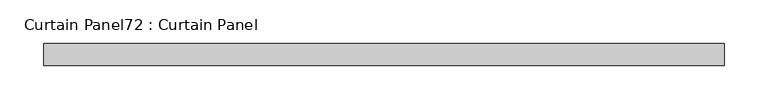
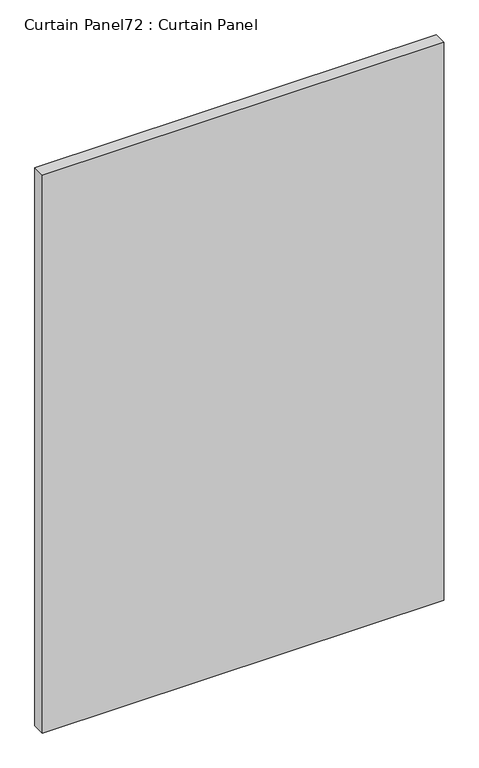
"""IFC4 building model written with IfcOpenShell, lengths in millimetres: plate geometry, Curtain Panel72 : Curtain Panel."""

from ifc_helpers import new_model, si_unit, frame, origin, place, context, project, spatial, polyline, outline, extrude, source, transform, mapped, element, save


def curtain_panel72_curtain_panel_6e872bb6(model_context):
    return source(origin(), model_context, "Body", "SweptSolid", [
        extrude(outline(polyline([(-41961.6432715, -3859.9631042), (-42742.7613888, -3859.9631042), (-42742.7613888, -3834.5631042), (-41961.6432715, -3834.5631042), (-41961.6432715, -3859.9631042)])), frame((0.0, 0.0, 1223.9625), z_axis=(0.0, 0.0, 1.0), x_axis=(1.0, 0.0, 0.0)), (0.0, 0.0, 1.0), 1147.7783745),
    ])


if __name__ == "__main__":
    model = new_model("IFC4")
    model_context = context("Model", 3, world=origin())
    ifc_project = project(units=[si_unit("LENGTHUNIT", "METRE", prefix="MILLI")], contexts=[model_context])
    site = spatial("IfcSite", under=ifc_project)
    building = spatial("IfcBuilding", under=site)
    placement = place(None, origin())
    curtain_panel72_curtain_panel_shape = curtain_panel72_curtain_panel_6e872bb6(model_context)
    element("IfcPlate", 1, ObjectType="Curtain Panel72 : Curtain Panel", at=placement, inside=building, context=model_context, shape_type="MappedRepresentation", body=[
        mapped(curtain_panel72_curtain_panel_shape, transform((0.0, 0.0, 0.0), x_axis=(1.0, 0.0, 0.0), y_axis=(0.0, 1.0, 0.0), z_axis=(0.0, 0.0, 1.0))),
    ])
    save(model, "model.ifc")
